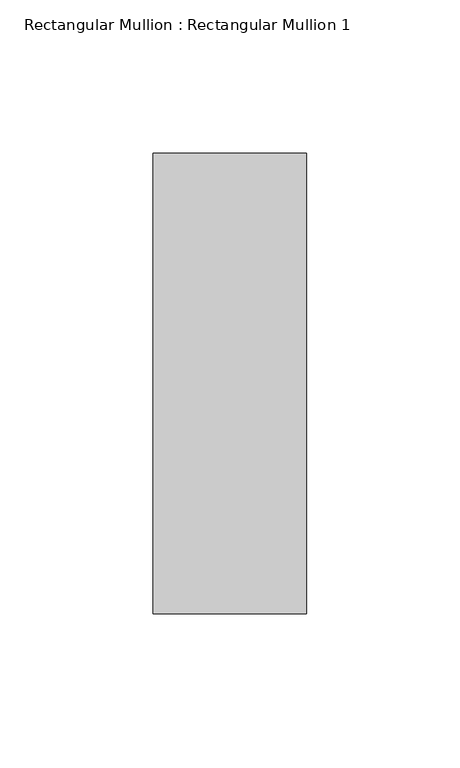
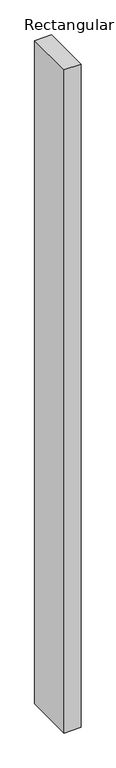
"""IFC4 building model written with IfcOpenShell, lengths in millimetres: member geometry, Rectangular Mullion : Rectangular Mullion 1."""

from ifc_helpers import new_model, si_unit, frame, origin, place, context, project, spatial, polyline, outline, extrude, source, transform, mapped, element, save


def rectangular_mullion_rectangular_mullion_1_c88aaaa7(model_context):
    return source(origin(), model_context, "Body", "SweptSolid", [
        extrude(outline(polyline([(0.0, 75.0), (0.0, -75.0), (-50.0, -75.0), (-50.0, 75.0), (0.0, 75.0)])), frame((0.0, 0.0, -2058.3333333), z_axis=(0.0, 0.0, 1.0), x_axis=(1.0, 0.0, 0.0)), (0.0, 0.0, 1.0), 2058.3333333),
    ])


if __name__ == "__main__":
    model = new_model("IFC4")
    model_context = context("Model", 3, world=origin())
    ifc_project = project(units=[si_unit("LENGTHUNIT", "METRE", prefix="MILLI")], contexts=[model_context])
    site = spatial("IfcSite", under=ifc_project)
    building = spatial("IfcBuilding", under=site)
    placement = place(None, origin())
    rectangular_mullion_rectangular_mullion_1_shape = rectangular_mullion_rectangular_mullion_1_c88aaaa7(model_context)
    element("IfcMember", 1, ObjectType="Rectangular Mullion : Rectangular Mullion 1", at=placement, inside=building, context=model_context, shape_type="MappedRepresentation", body=[
        mapped(rectangular_mullion_rectangular_mullion_1_shape, transform((0.0, 0.0, 0.0), x_axis=(1.0, 0.0, 0.0), y_axis=(0.0, 1.0, 0.0), z_axis=(0.0, 0.0, 1.0))),
    ])
    save(model, "model.ifc")
